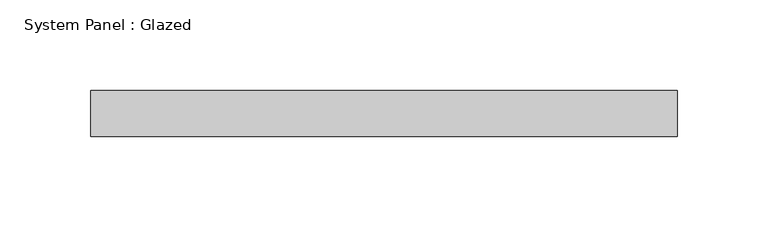
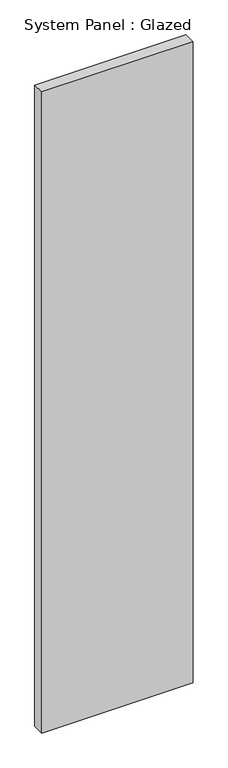
"""IFC4 building model written with IfcOpenShell, lengths in millimetres: plate geometry, System Panel : Glazed."""

from ifc_helpers import new_model, si_unit, origin, origin_with_axes, place, context, project, spatial, polyline, outline, extrude, source, transform, mapped, element, save


def system_panel_glazed_eacb1efb(model_context):
    return source(origin(), model_context, "Body", "SweptSolid", [
        extrude(outline(polyline([(161.3958333, -12.7), (-161.3958333, -12.7), (-161.3958333, 12.7), (161.3958333, 12.7), (161.3958333, -12.7)])), origin_with_axes(), (0.0, 0.0, 1.0), 1444.625),
    ])


if __name__ == "__main__":
    model = new_model("IFC4")
    model_context = context("Model", 3, world=origin())
    ifc_project = project(units=[si_unit("LENGTHUNIT", "METRE", prefix="MILLI")], contexts=[model_context])
    site = spatial("IfcSite", under=ifc_project)
    building = spatial("IfcBuilding", under=site)
    placement = place(None, origin())
    system_panel_glazed_shape = system_panel_glazed_eacb1efb(model_context)
    element("IfcPlate", 1, ObjectType="System Panel : Glazed", at=placement, inside=building, context=model_context, shape_type="MappedRepresentation", body=[
        mapped(system_panel_glazed_shape, transform((0.0, 0.0, 0.0), x_axis=(1.0, 0.0, 0.0), y_axis=(0.0, 1.0, 0.0), z_axis=(0.0, 0.0, 1.0))),
    ])
    save(model, "model.ifc")
